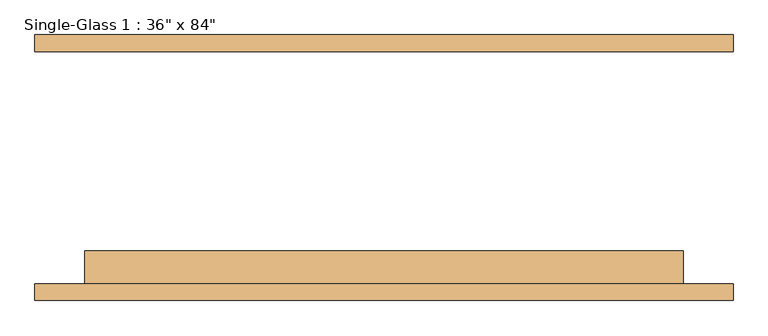
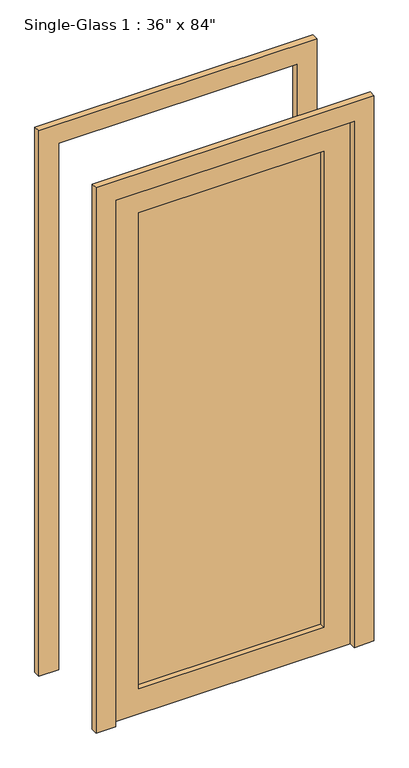
"""IFC4 building model written with IfcOpenShell, lengths in millimetres: door geometry."""

from ifc_helpers import new_model, si_unit, frame, origin, place, context, project, spatial, polyline, outline, extrude, source, transform, mapped, element, save


def door_055ca372(model_context):
    return source(origin(), model_context, "Body", "SweptSolid", [
        extrude(outline(polyline([(2133.6, 457.2), (0.0, 457.2), (0.0, 533.4), (2209.8, 533.4), (2209.8, -533.4), (0.0, -533.4), (0.0, -457.2), (2133.6, -457.2), (2133.6, 457.2)])), frame((0.0, 177.8, 0.0), z_axis=(0.0, 1.0, 0.0), x_axis=(0.0, 0.0, 1.0)), (0.0, 0.0, 1.0), 25.4),
        extrude(outline(polyline([(2133.6, 457.2), (0.0, 457.2), (0.0, 533.4), (2209.8, 533.4), (2209.8, -533.4), (0.0, -533.4), (0.0, -457.2), (2133.6, -457.2), (2133.6, 457.2)])), frame((0.0, -203.2, 0.0), z_axis=(0.0, 1.0, 0.0), x_axis=(0.0, 0.0, 1.0)), (0.0, 0.0, 1.0), 25.4),
        extrude(outline(polyline([(355.6, -149.225), (355.6, -155.575), (-355.6, -155.575), (-355.6, -149.225), (355.6, -149.225)])), frame((0.0, 0.0, 101.6), z_axis=(0.0, 0.0, 1.0), x_axis=(1.0, 0.0, 0.0)), (0.0, 0.0, 1.0), 1930.4),
        extrude(outline(polyline([(2133.6, 457.2), (2133.6, -457.2), (0.0, -457.2), (0.0, 457.2), (2133.6, 457.2)]), holes=[polyline([(2032.0, -355.6), (2032.0, 355.6), (101.6, 355.6), (101.6, -355.6), (2032.0, -355.6)])]), frame((0.0, -177.8, 0.0), z_axis=(0.0, 1.0, 0.0), x_axis=(0.0, 0.0, 1.0)), (0.0, 0.0, 1.0), 50.8),
    ])


if __name__ == "__main__":
    model = new_model("IFC4")
    model_context = context("Model", 3, world=origin())
    ifc_project = project(units=[si_unit("LENGTHUNIT", "METRE", prefix="MILLI")], contexts=[model_context])
    site = spatial("IfcSite", under=ifc_project)
    building = spatial("IfcBuilding", under=site)
    placement = place(None, origin())
    door_shape = door_055ca372(model_context)
    element("IfcDoor", 1, ObjectType="Single-Glass 1 : 36\" x 84\"", at=placement, inside=building, context=model_context, shape_type="MappedRepresentation", body=[
        mapped(door_shape, transform((0.0, 0.0, 0.0), x_axis=(1.0, 0.0, 0.0), y_axis=(0.0, 1.0, 0.0), z_axis=(0.0, 0.0, 1.0))),
    ])
    save(model, "model.ifc")
